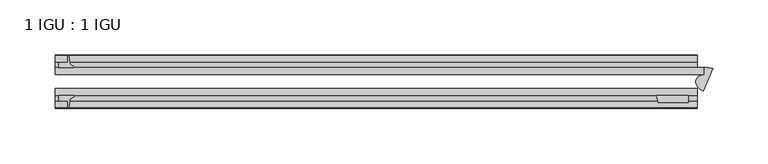
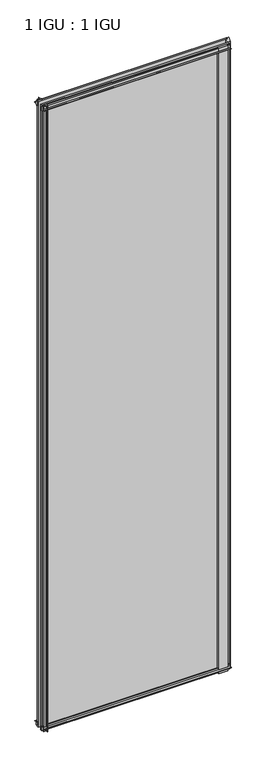
"""IFC4 building model written with IfcOpenShell, lengths in millimetres: plate geometry, 1 IGU : 1 IGU."""

from ifc_helpers import new_model, si_unit, point, frame, frame_2d, origin, place, context, project, spatial, polyline, circle_curve, ellipse_curve, trimmed, segment, composite_curve, outline, extrude, source, transform, mapped, element, save
from ifc_brep_helpers import plane_surface, cylinder_surface, extruded_surface, advanced_brep


def plate_1_igu_1_igu_ed3f1b3a(model_context):
    return source(origin(), model_context, "Body", "SolidModel", [
        advanced_brep(
        [(279.5376984, -38.0794867, -11.1125), (280.2699435, -23.2494095, -11.1125), (280.2699435, -16.9267187, -11.1125), (283.0389496, -16.9267187, -11.1125), (287.8990292, -17.8934487, -11.1125), (279.5376984, -38.0794867, 2033.5875), (287.8990292, -17.8934487, 2033.5875), (283.0389496, -16.9267187, 2033.5875), (280.2699435, -16.9267187, 2033.5875), (280.2699435, -23.2494095, 2033.5875)],
        [
            (0, 1, ellipse_curve(frame((282.4003348, -31.1684713, -11.1125), z_axis=(0.0, 0.0, -1.0), x_axis=(0.9238795325112836, -0.3826834323650975, 0.0)), 10.1046575, 7.4804292)),
            (1, 2),
            (2, 3),
            (3, 4, circle_curve(frame((283.0389496, -29.6267187, -11.1125), z_axis=(0.0, 0.0, -1.0), x_axis=(1.0, 0.0, 0.0)), 12.7)),
            (4, 0),
            (5, 6),
            (6, 7, circle_curve(frame((283.0389496, -29.6267187, 2033.5875), z_axis=(0.0, 0.0, 1.0), x_axis=(1.0, 0.0, 0.0)), 12.7)),
            (7, 8),
            (8, 9),
            (9, 5, ellipse_curve(frame((282.4003348, -31.1684713, 2033.5875), z_axis=(0.0, 0.0, 1.0), x_axis=(0.9238795325112836, -0.3826834323650975, 0.0)), 10.1046575, 7.4804292)),
            (0, 5),
            (9, 1),
            (8, 2),
            (7, 3),
            (6, 4),
        ],
        [
            plane_surface(frame((280.2699435, -9.6242188, -11.1125), z_axis=(0.0, 0.0, -1.0), x_axis=(0.0, 1.0, 0.0))),
            plane_surface(frame((280.2699435, -9.6242188, 2033.5875), z_axis=(0.0, 0.0, 1.0), x_axis=(0.0, 1.0, 0.0))),
            extruded_surface(trimmed(ellipse_curve(frame((282.4003348, -31.1684713, 2033.5875), z_axis=(0.0, 0.0, -1.0), x_axis=(0.9238795325112836, -0.3826834323650975, 0.0)), 10.1046575, 7.4804292), [point((279.5376984, -38.0794867, 2033.5875))], [point((280.2699435, -23.2494095, 2033.5875))], True, "CARTESIAN"), (0.0, 0.0, -2044.7), 2044.7),
            plane_surface(frame((280.2699435, -23.2494095, -11.1125), z_axis=(-1.0, 0.0, 0.0), x_axis=(0.0, 0.0, 1.0))),
            plane_surface(frame((280.2699435, -16.9267187, -11.1125), z_axis=(0.0, 1.0, 0.0), x_axis=(0.0, 0.0, 1.0))),
            cylinder_surface(frame((283.0389496, -29.6267187, -11.1125), z_axis=(0.0, 0.0, -1.0), x_axis=(1.0, 0.0, 0.0)), 12.7),
            plane_surface(frame((287.8990292, -17.8934487, -11.1125), z_axis=(0.9238795325112925, -0.38268343236507585, 0.0), x_axis=(0.0, 0.0, 1.0))),
        ],
        [
            (0, [[1, 2, 3, 4, 5]]),
            (1, [[6, 7, 8, 9, 10]]),
            (2, [[-1, 11, -10, 12]]),
            (3, [[-2, -12, -9, 13]]),
            (4, [[-3, -13, -8, 14]]),
            (5, [[-4, -14, -7, 15]]),
            (6, [[-5, -15, -6, -11]]),
        ],
    ),
        extrude(outline(composite_curve([segment(polyline([(-42.3267187, -8.2068385), (-47.0892187, -8.2068385), (-47.0892187, 0.0), (-53.563779, 0.0)]), True, "CONTINUOUS"), segment(trimmed(circle_curve(frame_2d((-53.0328134, 0.3482823)), 0.635), [point((-53.563779, 0.0))], [point((-53.0575397, 0.9828007))], False, "CARTESIAN"), True, "CONTINUOUS"), segment(trimmed(circle_curve(frame_2d((-54.2310045, 31.0958559)), 30.1359106), [point((-53.0575397, 0.9828007))], [point((-47.0834032, 1.8198434))], True, "CARTESIAN"), True, "CONTINUOUS"), segment(trimmed(circle_curve(frame_2d((-48.2159797, 6.4587878)), 4.7752), [point((-47.0834032, 1.8198434))], [point((-43.578416, 5.3205707))], True, "CARTESIAN"), True, "CONTINUOUS"), segment(trimmed(circle_curve(frame_2d((-42.9617187, 5.169212)), 0.635), [point((-43.578416, 5.3205707))], [point((-42.3267187, 5.169212))], False, "CARTESIAN"), True, "CONTINUOUS"), segment(polyline([(-42.3267187, 5.169212), (-42.3267187, -8.2068385)]), True, "CONTINUOUS")], self_intersect=False)), frame((-306.4636935, 0.0, 0.0), z_axis=(1.0, 0.0, 0.0), x_axis=(0.0, 1.0, 0.0)), (0.0, 0.0, 1.0), 580.383637),
        extrude(outline(composite_curve([segment(polyline([(-16.9267187, -8.2068385), (-16.9267187, 5.169212)]), True, "CONTINUOUS"), segment(trimmed(circle_curve(frame_2d((-16.2917187, 5.169212)), 0.635), [point((-16.9267187, 5.169212))], [point((-15.6750215, 5.3205707))], False, "CARTESIAN"), True, "CONTINUOUS"), segment(trimmed(circle_curve(frame_2d((-11.0374578, 6.4587878)), 4.7752), [point((-15.6750215, 5.3205707))], [point((-12.1700343, 1.8198434))], True, "CARTESIAN"), True, "CONTINUOUS"), segment(trimmed(circle_curve(frame_2d((-5.022433, 31.0958559)), 30.1359106), [point((-12.1700343, 1.8198434))], [point((-6.1958978, 0.9828007))], True, "CARTESIAN"), True, "CONTINUOUS"), segment(trimmed(circle_curve(frame_2d((-6.2206241, 0.3482823)), 0.635), [point((-6.1958978, 0.9828007))], [point((-5.6896585, 0.0))], False, "CARTESIAN"), True, "CONTINUOUS"), segment(polyline([(-5.6896585, 0.0), (-12.1642187, 0.0), (-12.1642187, -8.2068385), (-16.9267187, -8.2068385)]), True, "CONTINUOUS")], self_intersect=False)), frame((-306.4636935, 0.0, 0.0), z_axis=(1.0, 0.0, 0.0), x_axis=(0.0, 1.0, 0.0)), (0.0, 0.0, 1.0), 580.383637),
        extrude(outline(composite_curve([segment(polyline([(-47.0892188, 2022.475), (-47.0892188, 2030.6818385), (-42.3267188, 2030.6818385), (-42.3267188, 2017.305788)]), True, "CONTINUOUS"), segment(trimmed(circle_curve(frame_2d((-42.9617187, 2017.305788)), 0.635), [point((-42.3267188, 2017.305788))], [point((-43.578416, 2017.1544293))], False, "CARTESIAN"), True, "CONTINUOUS"), segment(trimmed(circle_curve(frame_2d((-48.2159797, 2016.0162122)), 4.7752), [point((-43.578416, 2017.1544293))], [point((-47.0834032, 2020.6551566))], True, "CARTESIAN"), True, "CONTINUOUS"), segment(trimmed(circle_curve(frame_2d((-54.2310045, 1991.3791441)), 30.1359106), [point((-47.0834032, 2020.6551566))], [point((-53.0575397, 2021.4921993))], True, "CARTESIAN"), True, "CONTINUOUS"), segment(trimmed(circle_curve(frame_2d((-53.0328134, 2022.1267177)), 0.635), [point((-53.0575397, 2021.4921993))], [point((-53.563779, 2022.475))], False, "CARTESIAN"), True, "CONTINUOUS"), segment(polyline([(-53.563779, 2022.475), (-47.0892188, 2022.475)]), True, "CONTINUOUS")], self_intersect=False)), frame((-306.4636935, 0.0, 0.0), z_axis=(1.0, 0.0, 0.0), x_axis=(0.0, 1.0, 0.0)), (0.0, 0.0, 1.0), 580.383637),
        extrude(outline(composite_curve([segment(polyline([(-12.1642187, 2022.475), (-5.6896585, 2022.475)]), True, "CONTINUOUS"), segment(trimmed(circle_curve(frame_2d((-6.2206241, 2022.1267177)), 0.635), [point((-5.6896585, 2022.475))], [point((-6.1958978, 2021.4921993))], False, "CARTESIAN"), True, "CONTINUOUS"), segment(trimmed(circle_curve(frame_2d((-5.022433, 1991.3791441)), 30.1359106), [point((-6.1958978, 2021.4921993))], [point((-12.1700343, 2020.6551566))], True, "CARTESIAN"), True, "CONTINUOUS"), segment(trimmed(circle_curve(frame_2d((-11.0374578, 2016.0162122)), 4.7752), [point((-12.1700343, 2020.6551566))], [point((-15.6750215, 2017.1544293))], True, "CARTESIAN"), True, "CONTINUOUS"), segment(trimmed(circle_curve(frame_2d((-16.2917188, 2017.305788)), 0.635), [point((-15.6750215, 2017.1544293))], [point((-16.9267188, 2017.305788))], False, "CARTESIAN"), True, "CONTINUOUS"), segment(polyline([(-16.9267188, 2017.305788), (-16.9267187, 2030.6818385), (-12.1642187, 2030.6818385), (-12.1642187, 2022.475)]), True, "CONTINUOUS")], self_intersect=False)), frame((-306.4636935, 0.0, 0.0), z_axis=(1.0, 0.0, 0.0), x_axis=(0.0, 1.0, 0.0)), (0.0, 0.0, 1.0), 580.383637),
        extrude(outline(composite_curve([segment(polyline([(265.8832248, -42.3267187), (265.8832248, -48.6767187), (238.4946428, -48.6767187)]), True, "CONTINUOUS"), segment(trimmed(circle_curve(frame_2d((226.7364485, -48.2428298)), 11.7661971), [point((238.4946428, -48.6767187))], [point((236.9071428, -42.3267187))], True, "CARTESIAN"), True, "CONTINUOUS"), segment(polyline([(236.9071428, -42.3267187), (265.8832248, -42.3267187)]), True, "CONTINUOUS")], self_intersect=False)), frame((0.0, 0.0, -11.1125), z_axis=(0.0, 0.0, 1.0), x_axis=(1.0, 0.0, 0.0)), (0.0, 0.0, 1.0), 2044.7),
        extrude(outline(composite_curve([segment(trimmed(circle_curve(frame_2d((-295.0029112, -6.2206241)), 0.635), [point((-295.3511935, -5.6896585))], [point((-294.3683928, -6.1958978))], False, "CARTESIAN"), True, "CONTINUOUS"), segment(trimmed(circle_curve(frame_2d((-264.2553376, -5.022433)), 30.1359106), [point((-294.3683928, -6.1958978))], [point((-293.5313501, -12.1700343))], True, "CARTESIAN"), True, "CONTINUOUS"), segment(trimmed(circle_curve(frame_2d((-288.8924057, -11.0374578)), 4.7752), [point((-293.5313501, -12.1700343))], [point((-290.0306228, -15.6750215))], True, "CARTESIAN"), True, "CONTINUOUS"), segment(trimmed(circle_curve(frame_2d((-290.1819815, -16.2917187)), 0.635), [point((-290.0306228, -15.6750215))], [point((-290.1819815, -16.9267187))], False, "CARTESIAN"), True, "CONTINUOUS"), segment(polyline([(-290.1819815, -16.9267187), (-303.558032, -16.9267187), (-303.558032, -12.1642187), (-295.3511935, -12.1642187), (-295.3511935, -5.6896585)]), True, "CONTINUOUS")], self_intersect=False)), frame((0.0, 0.0, -11.1125), z_axis=(0.0, 0.0, 1.0), x_axis=(1.0, 0.0, 0.0)), (0.0, 0.0, 1.0), 2044.7),
        extrude(outline(composite_curve([segment(polyline([(-295.3511935, -53.563779), (-295.3511935, -47.0892187), (-303.558032, -47.0892187), (-303.558032, -42.3267188), (-290.1819815, -42.3267188)]), True, "CONTINUOUS"), segment(trimmed(circle_curve(frame_2d((-290.1819815, -42.9617187)), 0.635), [point((-290.1819815, -42.3267188))], [point((-290.0306228, -43.578416))], False, "CARTESIAN"), True, "CONTINUOUS"), segment(trimmed(circle_curve(frame_2d((-288.8924057, -48.2159797)), 4.7752), [point((-290.0306228, -43.578416))], [point((-293.5313501, -47.0834032))], True, "CARTESIAN"), True, "CONTINUOUS"), segment(trimmed(circle_curve(frame_2d((-264.2553376, -54.2310045)), 30.1359106), [point((-293.5313501, -47.0834032))], [point((-294.3683928, -53.0575397))], True, "CARTESIAN"), True, "CONTINUOUS"), segment(trimmed(circle_curve(frame_2d((-295.0029112, -53.0328134)), 0.635), [point((-294.3683928, -53.0575397))], [point((-295.3511935, -53.563779))], False, "CARTESIAN"), True, "CONTINUOUS")], self_intersect=False)), frame((0.0, 0.0, -11.1125), z_axis=(0.0, 0.0, 1.0), x_axis=(1.0, 0.0, 0.0)), (0.0, 0.0, 1.0), 2044.7),
        extrude(outline(polyline([(280.2699435, -16.9267187), (280.2699435, -23.2259187), (-306.4636935, -23.2259187), (-306.4636935, -16.9267187), (280.2699435, -16.9267187)])), frame((0.0, 0.0, -11.1125), z_axis=(0.0, 0.0, 1.0), x_axis=(1.0, 0.0, 0.0)), (0.0, 0.0, 1.0), 2044.7),
        extrude(outline(polyline([(273.9199435, -36.0275187), (273.9199435, -42.3267187), (-306.4636935, -42.3267187), (-306.4636935, -36.0275187), (273.9199435, -36.0275187)])), frame((0.0, 0.0, -11.1125), z_axis=(0.0, 0.0, 1.0), x_axis=(1.0, 0.0, 0.0)), (0.0, 0.0, 1.0), 2044.7),
    ])


if __name__ == "__main__":
    model = new_model("IFC4")
    model_context = context("Model", 3, world=origin())
    ifc_project = project(units=[si_unit("LENGTHUNIT", "METRE", prefix="MILLI")], contexts=[model_context])
    site = spatial("IfcSite", under=ifc_project)
    building = spatial("IfcBuilding", under=site)
    placement = place(None, origin())
    plate_1_igu_1_igu_shape = plate_1_igu_1_igu_ed3f1b3a(model_context)
    element("IfcPlate", 1, ObjectType="1 IGU : 1 IGU", at=placement, inside=building, context=model_context, shape_type="MappedRepresentation", body=[
        mapped(plate_1_igu_1_igu_shape, transform((0.0, 0.0, 0.0), x_axis=(1.0, 0.0, 0.0), y_axis=(0.0, 1.0, 0.0), z_axis=(0.0, 0.0, 1.0))),
    ])
    save(model, "model.ifc")
